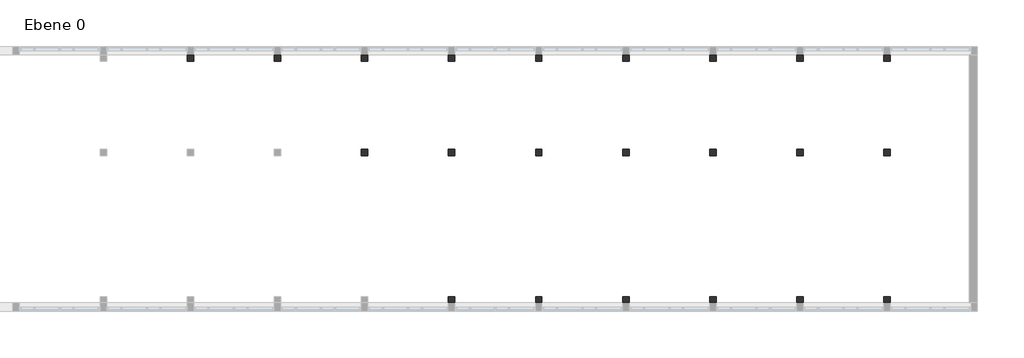
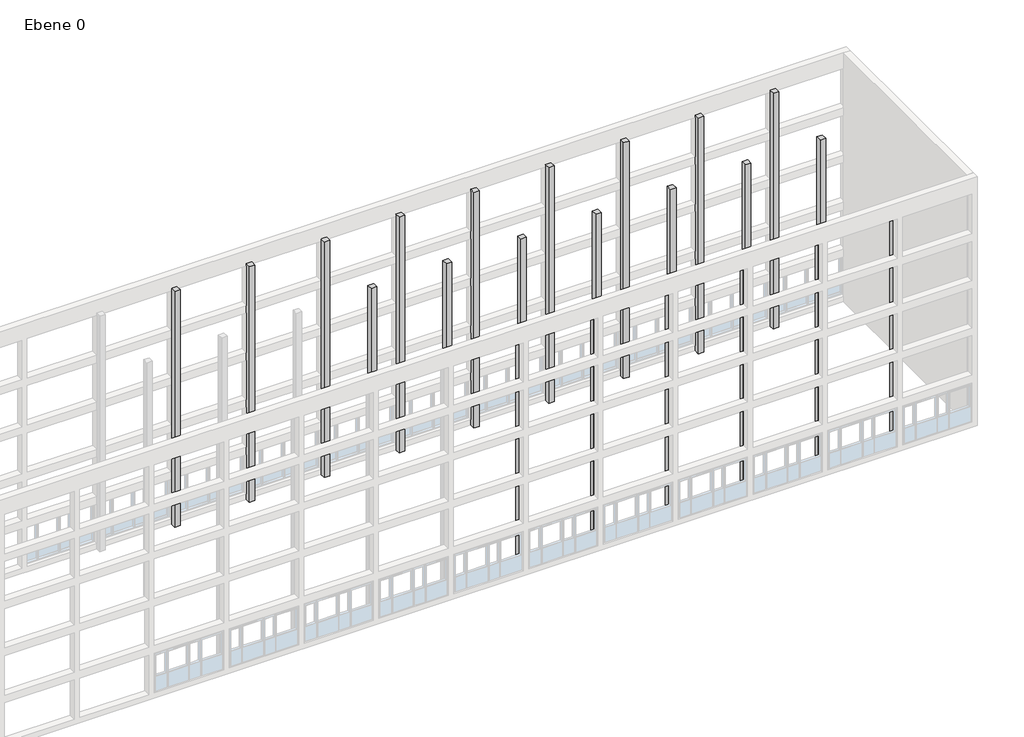
# One storey, part 4 of 4: 22 columns.
"""IFC4 building model written with IfcOpenShell, lengths in millimetres."""

from ifc_helpers import new_model, si_unit, origin, origin_with_axes, place, context, project, spatial, polyline, outline, extrude, faceted_brep, element, save

model = new_model("IFC4")

# Units and contexts
model_context = context("Model", 3, world=origin())
ifc_project = project(units=[si_unit("LENGTHUNIT", "METRE", prefix="MILLI")], contexts=[model_context])

# Site, building, storey
site = spatial("IfcSite", under=ifc_project)
building = spatial("IfcBuilding", under=site)
storey = spatial("IfcBuildingStorey", under=building, Name="Ebene 0", Elevation=0.0)

# Columns
placement = place(None, origin())
element("IfcColumn", 1, ObjectType="STB 400 x 400", at=placement, inside=storey, context=model_context, shape_type="Brep", body=[
    faceted_brep([(48800.0, 15200.0, 18000.0), (48400.0, 15200.0, 18000.0), (48400.0, 14800.0, 18000.0), (48800.0, 14800.0, 18000.0), (48800.0, 15200.0, 0.0), (48800.0, 14800.0, 0.0), (48400.0, 14800.0, 0.0), (48400.0, 15200.0, 0.0), (48800.0, 15200.0, 17800.0), (48800.0, 15200.0, 14800.0), (48800.0, 15200.0, 14200.0), (48800.0, 15200.0, 11200.0), (48800.0, 15200.0, 10600.0), (48800.0, 15200.0, 7600.0), (48800.0, 15200.0, 7000.0), (48800.0, 15200.0, 4000.0), (48800.0, 15200.0, 3400.0), (48800.0, 15200.0, 400.0), (48400.0, 15200.0, 400.0), (48400.0, 15200.0, 3400.0), (48400.0, 15200.0, 4000.0), (48400.0, 15200.0, 7000.0), (48400.0, 15200.0, 7600.0), (48400.0, 15200.0, 10600.0), (48400.0, 15200.0, 11200.0), (48400.0, 15200.0, 14200.0), (48400.0, 15200.0, 14800.0), (48400.0, 15200.0, 17800.0)], [[[0, 1, 2, 3]], [[4, 5, 6, 7]], [[1, 0, 8, 9, 10, 11, 12, 13, 14, 15, 16, 17, 4, 7, 18, 19, 20, 21, 22, 23, 24, 25, 26, 27]], [[2, 1, 27, 26, 25, 24, 23, 22, 21, 20, 19, 18, 7, 6]], [[3, 2, 6, 5]], [[0, 3, 5, 4, 17, 16, 15, 14, 13, 12, 11, 10, 9, 8]]]),
])
element("IfcColumn", 2, ObjectType="STB 400 x 400", at=placement, inside=storey, context=model_context, shape_type="Brep", body=[
    faceted_brep([(54200.0, 15200.0, 18000.0), (53800.0, 15200.0, 18000.0), (53800.0, 14800.0, 18000.0), (54200.0, 14800.0, 18000.0), (54200.0, 15200.0, 0.0), (54200.0, 14800.0, 0.0), (53800.0, 14800.0, 0.0), (53800.0, 15200.0, 0.0), (54200.0, 15200.0, 17800.0), (54200.0, 15200.0, 14800.0), (54200.0, 15200.0, 14200.0), (54200.0, 15200.0, 11200.0), (54200.0, 15200.0, 10600.0), (54200.0, 15200.0, 7600.0), (54200.0, 15200.0, 7000.0), (54200.0, 15200.0, 4000.0), (54200.0, 15200.0, 3400.0), (54200.0, 15200.0, 400.0), (53800.0, 15200.0, 400.0), (53800.0, 15200.0, 3400.0), (53800.0, 15200.0, 4000.0), (53800.0, 15200.0, 7000.0), (53800.0, 15200.0, 7600.0), (53800.0, 15200.0, 10600.0), (53800.0, 15200.0, 11200.0), (53800.0, 15200.0, 14200.0), (53800.0, 15200.0, 14800.0), (53800.0, 15200.0, 17800.0)], [[[0, 1, 2, 3]], [[4, 5, 6, 7]], [[1, 0, 8, 9, 10, 11, 12, 13, 14, 15, 16, 17, 4, 7, 18, 19, 20, 21, 22, 23, 24, 25, 26, 27]], [[2, 1, 27, 26, 25, 24, 23, 22, 21, 20, 19, 18, 7, 6]], [[3, 2, 6, 5]], [[0, 3, 5, 4, 17, 16, 15, 14, 13, 12, 11, 10, 9, 8]]]),
])
element("IfcColumn", 3, ObjectType="STB 400 x 400", at=placement, inside=storey, context=model_context, shape_type="Brep", body=[
    faceted_brep([(59600.0, 15200.0, 18000.0), (59200.0, 15200.0, 18000.0), (59200.0, 14800.0, 18000.0), (59600.0, 14800.0, 18000.0), (59600.0, 15200.0, 0.0), (59600.0, 14800.0, 0.0), (59200.0, 14800.0, 0.0), (59200.0, 15200.0, 0.0), (59600.0, 15200.0, 17800.0), (59600.0, 15200.0, 14800.0), (59600.0, 15200.0, 14200.0), (59600.0, 15200.0, 11200.0), (59600.0, 15200.0, 10600.0), (59600.0, 15200.0, 7600.0), (59600.0, 15200.0, 7000.0), (59600.0, 15200.0, 4000.0), (59600.0, 15200.0, 3400.0), (59600.0, 15200.0, 400.0), (59200.0, 15200.0, 400.0), (59200.0, 15200.0, 3400.0), (59200.0, 15200.0, 4000.0), (59200.0, 15200.0, 7000.0), (59200.0, 15200.0, 7600.0), (59200.0, 15200.0, 10600.0), (59200.0, 15200.0, 11200.0), (59200.0, 15200.0, 14200.0), (59200.0, 15200.0, 14800.0), (59200.0, 15200.0, 17800.0)], [[[0, 1, 2, 3]], [[4, 5, 6, 7]], [[1, 0, 8, 9, 10, 11, 12, 13, 14, 15, 16, 17, 4, 7, 18, 19, 20, 21, 22, 23, 24, 25, 26, 27]], [[2, 1, 27, 26, 25, 24, 23, 22, 21, 20, 19, 18, 7, 6]], [[3, 2, 6, 5]], [[0, 3, 5, 4, 17, 16, 15, 14, 13, 12, 11, 10, 9, 8]]]),
])
element("IfcColumn", 4, ObjectType="STB 400 x 400", at=placement, inside=storey, context=model_context, shape_type="Brep", body=[
    faceted_brep([(65000.0, 200.0, 18000.0), (64600.0, 200.0, 18000.0), (64600.0, -200.0, 18000.0), (65000.0, -200.0, 18000.0), (65000.0, 200.0, 0.0), (65000.0, -200.0, 0.0), (64600.0, -200.0, 0.0), (64600.0, 200.0, 0.0), (64600.0, -200.0, 400.0), (64600.0, -200.0, 3400.0), (64600.0, -200.0, 4000.0), (64600.0, -200.0, 7000.0), (64600.0, -200.0, 7600.0), (64600.0, -200.0, 10600.0), (64600.0, -200.0, 11200.0), (64600.0, -200.0, 14200.0), (64600.0, -200.0, 14800.0), (64600.0, -200.0, 17800.0), (65000.0, -200.0, 400.0), (65000.0, -200.0, 3400.0), (65000.0, -200.0, 4000.0), (65000.0, -200.0, 7000.0), (65000.0, -200.0, 7600.0), (65000.0, -200.0, 10600.0), (65000.0, -200.0, 11200.0), (65000.0, -200.0, 14200.0), (65000.0, -200.0, 14800.0), (65000.0, -200.0, 17800.0)], [[[0, 1, 2, 3]], [[4, 5, 6, 7]], [[1, 0, 4, 7]], [[2, 1, 7, 6, 8, 9, 10, 11, 12, 13, 14, 15, 16, 17]], [[3, 2, 17, 16, 15, 14, 13, 12, 11, 10, 9, 8, 6, 5, 18, 19, 20, 21, 22, 23, 24, 25, 26, 27]], [[0, 3, 27, 26, 25, 24, 23, 22, 21, 20, 19, 18, 5, 4]]]),
])
element("IfcColumn", 5, ObjectType="STB 400 x 400", at=placement, inside=storey, context=model_context, shape_type="Brep", body=[
    faceted_brep([(65000.0, 15200.0, 18000.0), (64600.0, 15200.0, 18000.0), (64600.0, 14800.0, 18000.0), (65000.0, 14800.0, 18000.0), (65000.0, 15200.0, 0.0), (65000.0, 14800.0, 0.0), (64600.0, 14800.0, 0.0), (64600.0, 15200.0, 0.0), (65000.0, 15200.0, 17800.0), (65000.0, 15200.0, 14800.0), (65000.0, 15200.0, 14200.0), (65000.0, 15200.0, 11200.0), (65000.0, 15200.0, 10600.0), (65000.0, 15200.0, 7600.0), (65000.0, 15200.0, 7000.0), (65000.0, 15200.0, 4000.0), (65000.0, 15200.0, 3400.0), (65000.0, 15200.0, 400.0), (64600.0, 15200.0, 400.0), (64600.0, 15200.0, 3400.0), (64600.0, 15200.0, 4000.0), (64600.0, 15200.0, 7000.0), (64600.0, 15200.0, 7600.0), (64600.0, 15200.0, 10600.0), (64600.0, 15200.0, 11200.0), (64600.0, 15200.0, 14200.0), (64600.0, 15200.0, 14800.0), (64600.0, 15200.0, 17800.0)], [[[0, 1, 2, 3]], [[4, 5, 6, 7]], [[1, 0, 8, 9, 10, 11, 12, 13, 14, 15, 16, 17, 4, 7, 18, 19, 20, 21, 22, 23, 24, 25, 26, 27]], [[2, 1, 27, 26, 25, 24, 23, 22, 21, 20, 19, 18, 7, 6]], [[3, 2, 6, 5]], [[0, 3, 5, 4, 17, 16, 15, 14, 13, 12, 11, 10, 9, 8]]]),
])
element("IfcColumn", 6, ObjectType="STB 400 x 400", at=placement, inside=storey, context=model_context, shape_type="Brep", body=[
    faceted_brep([(70400.0, 200.0, 18000.0), (70000.0, 200.0, 18000.0), (70000.0, -200.0, 18000.0), (70400.0, -200.0, 18000.0), (70400.0, 200.0, 0.0), (70400.0, -200.0, 0.0), (70000.0, -200.0, 0.0), (70000.0, 200.0, 0.0), (70000.0, -200.0, 400.0), (70000.0, -200.0, 3400.0), (70000.0, -200.0, 4000.0), (70000.0, -200.0, 7000.0), (70000.0, -200.0, 7600.0), (70000.0, -200.0, 10600.0), (70000.0, -200.0, 11200.0), (70000.0, -200.0, 14200.0), (70000.0, -200.0, 14800.0), (70000.0, -200.0, 17800.0), (70400.0, -200.0, 400.0), (70400.0, -200.0, 3400.0), (70400.0, -200.0, 4000.0), (70400.0, -200.0, 7000.0), (70400.0, -200.0, 7600.0), (70400.0, -200.0, 10600.0), (70400.0, -200.0, 11200.0), (70400.0, -200.0, 14200.0), (70400.0, -200.0, 14800.0), (70400.0, -200.0, 17800.0)], [[[0, 1, 2, 3]], [[4, 5, 6, 7]], [[1, 0, 4, 7]], [[2, 1, 7, 6, 8, 9, 10, 11, 12, 13, 14, 15, 16, 17]], [[3, 2, 17, 16, 15, 14, 13, 12, 11, 10, 9, 8, 6, 5, 18, 19, 20, 21, 22, 23, 24, 25, 26, 27]], [[0, 3, 27, 26, 25, 24, 23, 22, 21, 20, 19, 18, 5, 4]]]),
])
element("IfcColumn", 7, ObjectType="STB 400 x 400", at=placement, inside=storey, context=model_context, shape_type="Brep", body=[
    faceted_brep([(70400.0, 15200.0, 18000.0), (70000.0, 15200.0, 18000.0), (70000.0, 14800.0, 18000.0), (70400.0, 14800.0, 18000.0), (70400.0, 15200.0, 0.0), (70400.0, 14800.0, 0.0), (70000.0, 14800.0, 0.0), (70000.0, 15200.0, 0.0), (70400.0, 15200.0, 17800.0), (70400.0, 15200.0, 14800.0), (70400.0, 15200.0, 14200.0), (70400.0, 15200.0, 11200.0), (70400.0, 15200.0, 10600.0), (70400.0, 15200.0, 7600.0), (70400.0, 15200.0, 7000.0), (70400.0, 15200.0, 4000.0), (70400.0, 15200.0, 3400.0), (70400.0, 15200.0, 400.0), (70000.0, 15200.0, 400.0), (70000.0, 15200.0, 3400.0), (70000.0, 15200.0, 4000.0), (70000.0, 15200.0, 7000.0), (70000.0, 15200.0, 7600.0), (70000.0, 15200.0, 10600.0), (70000.0, 15200.0, 11200.0), (70000.0, 15200.0, 14200.0), (70000.0, 15200.0, 14800.0), (70000.0, 15200.0, 17800.0)], [[[0, 1, 2, 3]], [[4, 5, 6, 7]], [[1, 0, 8, 9, 10, 11, 12, 13, 14, 15, 16, 17, 4, 7, 18, 19, 20, 21, 22, 23, 24, 25, 26, 27]], [[2, 1, 27, 26, 25, 24, 23, 22, 21, 20, 19, 18, 7, 6]], [[3, 2, 6, 5]], [[0, 3, 5, 4, 17, 16, 15, 14, 13, 12, 11, 10, 9, 8]]]),
])
element("IfcColumn", 8, ObjectType="STB 400 x 400", at=placement, inside=storey, context=model_context, shape_type="Brep", body=[
    faceted_brep([(75800.0, 200.0, 18000.0), (75400.0, 200.0, 18000.0), (75400.0, -200.0, 18000.0), (75800.0, -200.0, 18000.0), (75800.0, 200.0, 0.0), (75800.0, -200.0, 0.0), (75400.0, -200.0, 0.0), (75400.0, 200.0, 0.0), (75400.0, -200.0, 400.0), (75400.0, -200.0, 3400.0), (75400.0, -200.0, 4000.0), (75400.0, -200.0, 7000.0), (75400.0, -200.0, 7600.0), (75400.0, -200.0, 10600.0), (75400.0, -200.0, 11200.0), (75400.0, -200.0, 14200.0), (75400.0, -200.0, 14800.0), (75400.0, -200.0, 17800.0), (75800.0, -200.0, 400.0), (75800.0, -200.0, 3400.0), (75800.0, -200.0, 4000.0), (75800.0, -200.0, 7000.0), (75800.0, -200.0, 7600.0), (75800.0, -200.0, 10600.0), (75800.0, -200.0, 11200.0), (75800.0, -200.0, 14200.0), (75800.0, -200.0, 14800.0), (75800.0, -200.0, 17800.0)], [[[0, 1, 2, 3]], [[4, 5, 6, 7]], [[1, 0, 4, 7]], [[2, 1, 7, 6, 8, 9, 10, 11, 12, 13, 14, 15, 16, 17]], [[3, 2, 17, 16, 15, 14, 13, 12, 11, 10, 9, 8, 6, 5, 18, 19, 20, 21, 22, 23, 24, 25, 26, 27]], [[0, 3, 27, 26, 25, 24, 23, 22, 21, 20, 19, 18, 5, 4]]]),
])
element("IfcColumn", 9, ObjectType="STB 400 x 400", at=placement, inside=storey, context=model_context, shape_type="Brep", body=[
    faceted_brep([(75800.0, 15200.0, 18000.0), (75400.0, 15200.0, 18000.0), (75400.0, 14800.0, 18000.0), (75800.0, 14800.0, 18000.0), (75800.0, 15200.0, 0.0), (75800.0, 14800.0, 0.0), (75400.0, 14800.0, 0.0), (75400.0, 15200.0, 0.0), (75800.0, 15200.0, 17800.0), (75800.0, 15200.0, 14800.0), (75800.0, 15200.0, 14200.0), (75800.0, 15200.0, 11200.0), (75800.0, 15200.0, 10600.0), (75800.0, 15200.0, 7600.0), (75800.0, 15200.0, 7000.0), (75800.0, 15200.0, 4000.0), (75800.0, 15200.0, 3400.0), (75800.0, 15200.0, 400.0), (75400.0, 15200.0, 400.0), (75400.0, 15200.0, 3400.0), (75400.0, 15200.0, 4000.0), (75400.0, 15200.0, 7000.0), (75400.0, 15200.0, 7600.0), (75400.0, 15200.0, 10600.0), (75400.0, 15200.0, 11200.0), (75400.0, 15200.0, 14200.0), (75400.0, 15200.0, 14800.0), (75400.0, 15200.0, 17800.0)], [[[0, 1, 2, 3]], [[4, 5, 6, 7]], [[1, 0, 8, 9, 10, 11, 12, 13, 14, 15, 16, 17, 4, 7, 18, 19, 20, 21, 22, 23, 24, 25, 26, 27]], [[2, 1, 27, 26, 25, 24, 23, 22, 21, 20, 19, 18, 7, 6]], [[3, 2, 6, 5]], [[0, 3, 5, 4, 17, 16, 15, 14, 13, 12, 11, 10, 9, 8]]]),
])
element("IfcColumn", 10, ObjectType="STB 400 x 400", at=placement, inside=storey, context=model_context, shape_type="Brep", body=[
    faceted_brep([(81200.0, 200.0, 18000.0), (80800.0, 200.0, 18000.0), (80800.0, -200.0, 18000.0), (81200.0, -200.0, 18000.0), (81200.0, 200.0, 0.0), (81200.0, -200.0, 0.0), (80800.0, -200.0, 0.0), (80800.0, 200.0, 0.0), (80800.0, -200.0, 400.0), (80800.0, -200.0, 3400.0), (80800.0, -200.0, 4000.0), (80800.0, -200.0, 7000.0), (80800.0, -200.0, 7600.0), (80800.0, -200.0, 10600.0), (80800.0, -200.0, 11200.0), (80800.0, -200.0, 14200.0), (80800.0, -200.0, 14800.0), (80800.0, -200.0, 17800.0), (81200.0, -200.0, 400.0), (81200.0, -200.0, 3400.0), (81200.0, -200.0, 4000.0), (81200.0, -200.0, 7000.0), (81200.0, -200.0, 7600.0), (81200.0, -200.0, 10600.0), (81200.0, -200.0, 11200.0), (81200.0, -200.0, 14200.0), (81200.0, -200.0, 14800.0), (81200.0, -200.0, 17800.0)], [[[0, 1, 2, 3]], [[4, 5, 6, 7]], [[1, 0, 4, 7]], [[2, 1, 7, 6, 8, 9, 10, 11, 12, 13, 14, 15, 16, 17]], [[3, 2, 17, 16, 15, 14, 13, 12, 11, 10, 9, 8, 6, 5, 18, 19, 20, 21, 22, 23, 24, 25, 26, 27]], [[0, 3, 27, 26, 25, 24, 23, 22, 21, 20, 19, 18, 5, 4]]]),
])
element("IfcColumn", 11, ObjectType="STB 400 x 400", at=placement, inside=storey, context=model_context, shape_type="Brep", body=[
    faceted_brep([(81200.0, 15200.0, 18000.0), (80800.0, 15200.0, 18000.0), (80800.0, 14800.0, 18000.0), (81200.0, 14800.0, 18000.0), (81200.0, 15200.0, 0.0), (81200.0, 14800.0, 0.0), (80800.0, 14800.0, 0.0), (80800.0, 15200.0, 0.0), (81200.0, 15200.0, 17800.0), (81200.0, 15200.0, 14800.0), (81200.0, 15200.0, 14200.0), (81200.0, 15200.0, 11200.0), (81200.0, 15200.0, 10600.0), (81200.0, 15200.0, 7600.0), (81200.0, 15200.0, 7000.0), (81200.0, 15200.0, 4000.0), (81200.0, 15200.0, 3400.0), (81200.0, 15200.0, 400.0), (80800.0, 15200.0, 400.0), (80800.0, 15200.0, 3400.0), (80800.0, 15200.0, 4000.0), (80800.0, 15200.0, 7000.0), (80800.0, 15200.0, 7600.0), (80800.0, 15200.0, 10600.0), (80800.0, 15200.0, 11200.0), (80800.0, 15200.0, 14200.0), (80800.0, 15200.0, 14800.0), (80800.0, 15200.0, 17800.0)], [[[0, 1, 2, 3]], [[4, 5, 6, 7]], [[1, 0, 8, 9, 10, 11, 12, 13, 14, 15, 16, 17, 4, 7, 18, 19, 20, 21, 22, 23, 24, 25, 26, 27]], [[2, 1, 27, 26, 25, 24, 23, 22, 21, 20, 19, 18, 7, 6]], [[3, 2, 6, 5]], [[0, 3, 5, 4, 17, 16, 15, 14, 13, 12, 11, 10, 9, 8]]]),
])
element("IfcColumn", 12, ObjectType="STB 400 x 400", at=placement, inside=storey, context=model_context, shape_type="Brep", body=[
    faceted_brep([(86600.0, 200.0, 18000.0), (86200.0, 200.0, 18000.0), (86200.0, -200.0, 18000.0), (86600.0, -200.0, 18000.0), (86600.0, 200.0, 0.0), (86600.0, -200.0, 0.0), (86200.0, -200.0, 0.0), (86200.0, 200.0, 0.0), (86200.0, -200.0, 400.0), (86200.0, -200.0, 3400.0), (86200.0, -200.0, 4000.0), (86200.0, -200.0, 7000.0), (86200.0, -200.0, 7600.0), (86200.0, -200.0, 10600.0), (86200.0, -200.0, 11200.0), (86200.0, -200.0, 14200.0), (86200.0, -200.0, 14800.0), (86200.0, -200.0, 17800.0), (86600.0, -200.0, 400.0), (86600.0, -200.0, 3400.0), (86600.0, -200.0, 4000.0), (86600.0, -200.0, 7000.0), (86600.0, -200.0, 7600.0), (86600.0, -200.0, 10600.0), (86600.0, -200.0, 11200.0), (86600.0, -200.0, 14200.0), (86600.0, -200.0, 14800.0), (86600.0, -200.0, 17800.0)], [[[0, 1, 2, 3]], [[4, 5, 6, 7]], [[1, 0, 4, 7]], [[2, 1, 7, 6, 8, 9, 10, 11, 12, 13, 14, 15, 16, 17]], [[3, 2, 17, 16, 15, 14, 13, 12, 11, 10, 9, 8, 6, 5, 18, 19, 20, 21, 22, 23, 24, 25, 26, 27]], [[0, 3, 27, 26, 25, 24, 23, 22, 21, 20, 19, 18, 5, 4]]]),
])
element("IfcColumn", 13, ObjectType="STB 400 x 400", at=placement, inside=storey, context=model_context, shape_type="Brep", body=[
    faceted_brep([(86600.0, 15200.0, 18000.0), (86200.0, 15200.0, 18000.0), (86200.0, 14800.0, 18000.0), (86600.0, 14800.0, 18000.0), (86600.0, 15200.0, 0.0), (86600.0, 14800.0, 0.0), (86200.0, 14800.0, 0.0), (86200.0, 15200.0, 0.0), (86600.0, 15200.0, 17800.0), (86600.0, 15200.0, 14800.0), (86600.0, 15200.0, 14200.0), (86600.0, 15200.0, 11200.0), (86600.0, 15200.0, 10600.0), (86600.0, 15200.0, 7600.0), (86600.0, 15200.0, 7000.0), (86600.0, 15200.0, 4000.0), (86600.0, 15200.0, 3400.0), (86600.0, 15200.0, 400.0), (86200.0, 15200.0, 400.0), (86200.0, 15200.0, 3400.0), (86200.0, 15200.0, 4000.0), (86200.0, 15200.0, 7000.0), (86200.0, 15200.0, 7600.0), (86200.0, 15200.0, 10600.0), (86200.0, 15200.0, 11200.0), (86200.0, 15200.0, 14200.0), (86200.0, 15200.0, 14800.0), (86200.0, 15200.0, 17800.0)], [[[0, 1, 2, 3]], [[4, 5, 6, 7]], [[1, 0, 8, 9, 10, 11, 12, 13, 14, 15, 16, 17, 4, 7, 18, 19, 20, 21, 22, 23, 24, 25, 26, 27]], [[2, 1, 27, 26, 25, 24, 23, 22, 21, 20, 19, 18, 7, 6]], [[3, 2, 6, 5]], [[0, 3, 5, 4, 17, 16, 15, 14, 13, 12, 11, 10, 9, 8]]]),
])
element("IfcColumn", 14, ObjectType="STB 400 x 400", at=placement, inside=storey, context=model_context, shape_type="Brep", body=[
    faceted_brep([(92000.0, 200.0, 18000.0), (91600.0, 200.0, 18000.0), (91600.0, -200.0, 18000.0), (92000.0, -200.0, 18000.0), (92000.0, 200.0, 0.0), (92000.0, -200.0, 0.0), (91600.0, -200.0, 0.0), (91600.0, 200.0, 0.0), (91600.0, -200.0, 400.0), (91600.0, -200.0, 3400.0), (91600.0, -200.0, 4000.0), (91600.0, -200.0, 7000.0), (91600.0, -200.0, 7600.0), (91600.0, -200.0, 10600.0), (91600.0, -200.0, 11200.0), (91600.0, -200.0, 14200.0), (91600.0, -200.0, 14800.0), (91600.0, -200.0, 17800.0), (92000.0, -200.0, 400.0), (92000.0, -200.0, 3400.0), (92000.0, -200.0, 4000.0), (92000.0, -200.0, 7000.0), (92000.0, -200.0, 7600.0), (92000.0, -200.0, 10600.0), (92000.0, -200.0, 11200.0), (92000.0, -200.0, 14200.0), (92000.0, -200.0, 14800.0), (92000.0, -200.0, 17800.0)], [[[0, 1, 2, 3]], [[4, 5, 6, 7]], [[1, 0, 4, 7]], [[2, 1, 7, 6, 8, 9, 10, 11, 12, 13, 14, 15, 16, 17]], [[3, 2, 17, 16, 15, 14, 13, 12, 11, 10, 9, 8, 6, 5, 18, 19, 20, 21, 22, 23, 24, 25, 26, 27]], [[0, 3, 27, 26, 25, 24, 23, 22, 21, 20, 19, 18, 5, 4]]]),
])
element("IfcColumn", 15, ObjectType="STB 400 x 400", at=placement, inside=storey, context=model_context, shape_type="Brep", body=[
    faceted_brep([(92000.0, 15200.0, 18000.0), (91600.0, 15200.0, 18000.0), (91600.0, 14800.0, 18000.0), (92000.0, 14800.0, 18000.0), (92000.0, 15200.0, 0.0), (92000.0, 14800.0, 0.0), (91600.0, 14800.0, 0.0), (91600.0, 15200.0, 0.0), (92000.0, 15200.0, 17800.0), (92000.0, 15200.0, 14800.0), (92000.0, 15200.0, 14200.0), (92000.0, 15200.0, 11200.0), (92000.0, 15200.0, 10600.0), (92000.0, 15200.0, 7600.0), (92000.0, 15200.0, 7000.0), (92000.0, 15200.0, 4000.0), (92000.0, 15200.0, 3400.0), (92000.0, 15200.0, 400.0), (91600.0, 15200.0, 400.0), (91600.0, 15200.0, 3400.0), (91600.0, 15200.0, 4000.0), (91600.0, 15200.0, 7000.0), (91600.0, 15200.0, 7600.0), (91600.0, 15200.0, 10600.0), (91600.0, 15200.0, 11200.0), (91600.0, 15200.0, 14200.0), (91600.0, 15200.0, 14800.0), (91600.0, 15200.0, 17800.0)], [[[0, 1, 2, 3]], [[4, 5, 6, 7]], [[1, 0, 8, 9, 10, 11, 12, 13, 14, 15, 16, 17, 4, 7, 18, 19, 20, 21, 22, 23, 24, 25, 26, 27]], [[2, 1, 27, 26, 25, 24, 23, 22, 21, 20, 19, 18, 7, 6]], [[3, 2, 6, 5]], [[0, 3, 5, 4, 17, 16, 15, 14, 13, 12, 11, 10, 9, 8]]]),
])
element("IfcColumn", 16, ObjectType="STB 400 x 400", at=placement, inside=storey, context=model_context, shape_type="SweptSolid", body=[
    extrude(outline(polyline([(59600.0, 9325.0), (59600.0, 8925.0), (59200.0, 8925.0), (59200.0, 9325.0), (59600.0, 9325.0)])), origin_with_axes(), (0.0, 0.0, 1.0), 18000.0),
])
element("IfcColumn", 17, ObjectType="STB 400 x 400", at=placement, inside=storey, context=model_context, shape_type="SweptSolid", body=[
    extrude(outline(polyline([(65000.0, 9325.0), (65000.0, 8925.0), (64600.0, 8925.0), (64600.0, 9325.0), (65000.0, 9325.0)])), origin_with_axes(), (0.0, 0.0, 1.0), 18000.0),
])
element("IfcColumn", 18, ObjectType="STB 400 x 400", at=placement, inside=storey, context=model_context, shape_type="SweptSolid", body=[
    extrude(outline(polyline([(70400.0, 9325.0), (70400.0, 8925.0), (70000.0, 8925.0), (70000.0, 9325.0), (70400.0, 9325.0)])), origin_with_axes(), (0.0, 0.0, 1.0), 18000.0),
])
element("IfcColumn", 19, ObjectType="STB 400 x 400", at=placement, inside=storey, context=model_context, shape_type="SweptSolid", body=[
    extrude(outline(polyline([(75800.0, 9325.0), (75800.0, 8925.0), (75400.0, 8925.0), (75400.0, 9325.0), (75800.0, 9325.0)])), origin_with_axes(), (0.0, 0.0, 1.0), 18000.0),
])
element("IfcColumn", 20, ObjectType="STB 400 x 400", at=placement, inside=storey, context=model_context, shape_type="SweptSolid", body=[
    extrude(outline(polyline([(81200.0, 9325.0), (81200.0, 8925.0), (80800.0, 8925.0), (80800.0, 9325.0), (81200.0, 9325.0)])), origin_with_axes(), (0.0, 0.0, 1.0), 18000.0),
])
element("IfcColumn", 21, ObjectType="STB 400 x 400", at=placement, inside=storey, context=model_context, shape_type="SweptSolid", body=[
    extrude(outline(polyline([(86600.0, 9325.0), (86600.0, 8925.0), (86200.0, 8925.0), (86200.0, 9325.0), (86600.0, 9325.0)])), origin_with_axes(), (0.0, 0.0, 1.0), 18000.0),
])
element("IfcColumn", 22, ObjectType="STB 400 x 400", at=placement, inside=storey, context=model_context, shape_type="SweptSolid", body=[
    extrude(outline(polyline([(92000.0, 9325.0), (92000.0, 8925.0), (91600.0, 8925.0), (91600.0, 9325.0), (92000.0, 9325.0)])), origin_with_axes(), (0.0, 0.0, 1.0), 18000.0),
])

save(model, "model.ifc")
